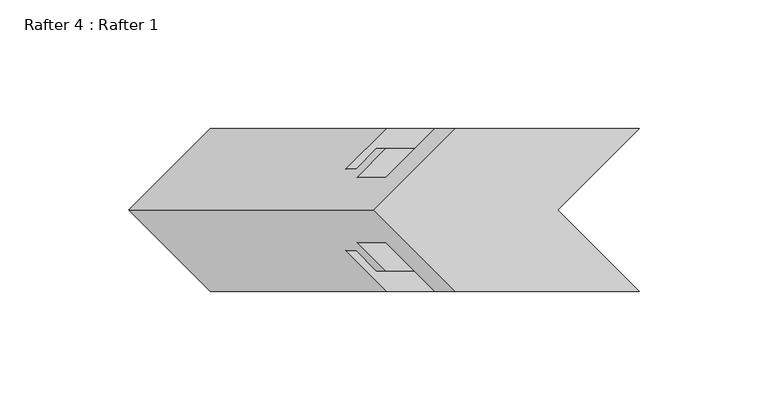
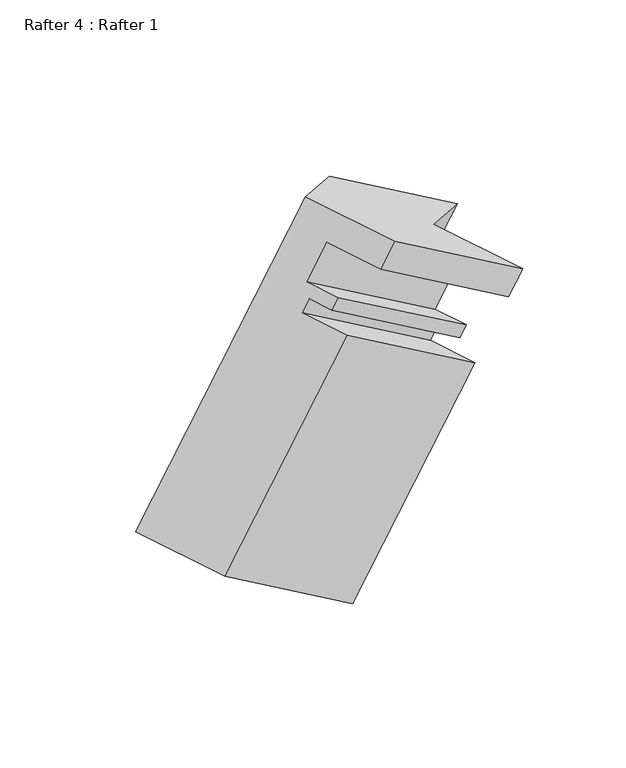
"""IFC4 building model written with IfcOpenShell, lengths in millimetres: proxy geometry, Rafter 4 : Rafter 1."""

from ifc_helpers import new_model, si_unit, origin, place, context, project, spatial, faceted_brep, source, transform, mapped, element, save


def rafter_4_rafter_1_4b376667(model_context):
    return source(origin(), model_context, "Body", "Brep", [
        faceted_brep([(13729.8107566, 12601.7097442, 2004.2899176), (13658.192109, 12601.7097442, 2045.6389631), (13626.442109, 12569.9597442, 2063.9698341), (13658.192109, 12538.2097442, 2045.6389631), (13729.8107566, 12538.2097442, 2004.2899176), (13698.0607566, 12569.9597442, 2022.6207887), (13650.254609, 12538.2097442, 2031.8908098), (13721.8732566, 12538.2097442, 1990.5417643), (13631.204609, 12557.2597442, 2042.8893324), (13702.8232566, 12557.2597442, 2001.540287), (13619.965109, 12557.2597442, 2023.4219474), (13691.5837566, 12557.2597442, 1982.0729019), (13631.090309, 12546.1345442, 2016.9988102), (13702.7089566, 12546.1345442, 1975.6497647), (13627.508909, 12546.1345442, 2010.7956434), (13699.1275566, 12546.1345442, 1969.4465979), (13619.558709, 12554.0847442, 2015.3856935), (13691.1773566, 12554.0847442, 1974.036648), (13615.609009, 12554.0847442, 2008.5446124), (13687.2276566, 12554.0847442, 1967.195567), (13631.484009, 12538.2097442, 1999.3791769), (13703.1026566, 12538.2097442, 1958.0301314), (13562.815109, 12538.2097442, 1880.4411532), (13634.4337566, 12538.2097442, 1839.0921077), (13531.065109, 12569.9597442, 1898.7720243), (13562.815109, 12601.7097442, 1880.4411532), (13634.4337566, 12601.7097442, 1839.0921077), (13602.6837566, 12569.9597442, 1857.4229788), (13631.484009, 12601.7097442, 1999.3791769), (13703.1026566, 12601.7097442, 1958.0301314), (13615.609009, 12585.8347442, 2008.5446124), (13687.2276566, 12585.8347442, 1967.195567), (13619.558709, 12585.8347442, 2015.3856935), (13691.1773566, 12585.8347442, 1974.036648), (13627.508909, 12593.7849442, 2010.7956434), (13699.1275566, 12593.7849442, 1969.4465979), (13631.090309, 12593.7849442, 2016.9988102), (13702.7089566, 12593.7849442, 1975.6497647), (13619.965109, 12582.6597442, 2023.4219474), (13691.5837566, 12582.6597442, 1982.0729019), (13631.204609, 12582.6597442, 2042.8893324), (13702.8232566, 12582.6597442, 2001.540287), (13650.254609, 12601.7097442, 2031.8908098), (13721.8732566, 12601.7097442, 1990.5417643)], [[[0, 1, 2, 3, 4, 5]], [[4, 3, 6, 7]], [[7, 6, 8, 9]], [[9, 8, 10, 11]], [[11, 10, 12, 13]], [[13, 12, 14, 15]], [[15, 14, 16, 17]], [[17, 16, 18, 19]], [[19, 18, 20, 21]], [[21, 20, 22, 23]], [[23, 22, 24, 25, 26, 27]], [[26, 25, 28, 29]], [[29, 28, 30, 31]], [[31, 30, 32, 33]], [[33, 32, 34, 35]], [[35, 34, 36, 37]], [[37, 36, 38, 39]], [[39, 38, 40, 41]], [[41, 40, 42, 43]], [[1, 0, 43, 42]], [[5, 27, 26, 29, 31, 33, 35, 37, 39, 41, 43, 0]], [[27, 5, 4, 7, 9, 11, 13, 15, 17, 19, 21, 23]], [[24, 2, 1, 42, 40, 38, 36, 34, 32, 30, 28, 25]], [[2, 24, 22, 20, 18, 16, 14, 12, 10, 8, 6, 3]]]),
    ])


if __name__ == "__main__":
    model = new_model("IFC4")
    model_context = context("Model", 3, world=origin())
    ifc_project = project(units=[si_unit("LENGTHUNIT", "METRE", prefix="MILLI")], contexts=[model_context])
    site = spatial("IfcSite", under=ifc_project)
    building = spatial("IfcBuilding", under=site)
    placement = place(None, origin())
    rafter_4_rafter_1_shape = rafter_4_rafter_1_4b376667(model_context)
    element("IfcBuildingElementProxy", 1, Name="Rafter 4 : Rafter 1", ObjectType="Rafter 4 : Rafter 1", at=placement, inside=building, context=model_context, shape_type="MappedRepresentation", body=[
        mapped(rafter_4_rafter_1_shape, transform((0.0, 0.0, 0.0), x_axis=(1.0, 0.0, 0.0), y_axis=(0.0, 1.0, 0.0), z_axis=(0.0, 0.0, 1.0))),
    ])
    save(model, "model.ifc")
